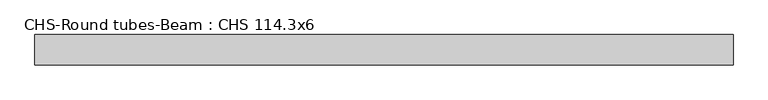
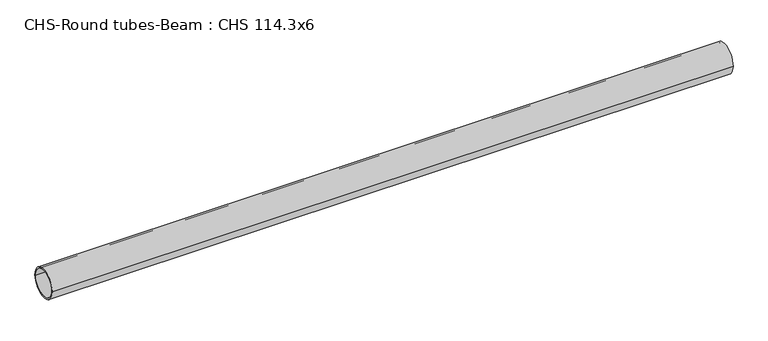
"""IFC4 building model written with IfcOpenShell, lengths in millimetres: beam geometry, CHS-Round tubes-Beam : CHS 114.3x6."""

from ifc_helpers import new_model, si_unit, point, frame, origin, origin_2d, place, context, project, spatial, circle_curve, trimmed, segment, composite_curve, outline, extrude, source, transform, mapped, element, save


def chs_round_tubes_beam_chs_114_3x6_aa7e1fe8(model_context):
    return source(origin(), model_context, "Body", "SweptSolid", [
        extrude(outline(composite_curve([segment(trimmed(circle_curve(origin_2d(), 57.15), [point((57.15, 0.0))], [point((-57.15, 0.0))], False, "CARTESIAN"), True, "CONTINUOUS"), segment(trimmed(circle_curve(origin_2d(), 57.15), [point((-57.15, 0.0))], [point((57.15, 0.0))], False, "CARTESIAN"), True, "CONTINUOUS")], self_intersect=False), holes=[composite_curve([segment(trimmed(circle_curve(origin_2d(), 51.15), [point((51.15, 0.0))], [point((-51.15, 0.0))], True, "CARTESIAN"), True, "CONTINUOUS"), segment(trimmed(circle_curve(origin_2d(), 51.15), [point((-51.15, 0.0))], [point((51.15, 0.0))], True, "CARTESIAN"), True, "CONTINUOUS")], self_intersect=False)]), frame((-1308.0413202, 0.0, 0.0), z_axis=(1.0, 0.0, 0.0), x_axis=(0.0, 1.0, 0.0)), (0.0, 0.0, 1.0), 2612.4989348),
    ])


if __name__ == "__main__":
    model = new_model("IFC4")
    model_context = context("Model", 3, world=origin())
    ifc_project = project(units=[si_unit("LENGTHUNIT", "METRE", prefix="MILLI")], contexts=[model_context])
    site = spatial("IfcSite", under=ifc_project)
    building = spatial("IfcBuilding", under=site)
    placement = place(None, origin())
    chs_round_tubes_beam_chs_114_3x6_shape = chs_round_tubes_beam_chs_114_3x6_aa7e1fe8(model_context)
    element("IfcBeam", 1, ObjectType="CHS-Round tubes-Beam : CHS 114.3x6", at=placement, inside=building, context=model_context, shape_type="MappedRepresentation", body=[
        mapped(chs_round_tubes_beam_chs_114_3x6_shape, transform((0.0, 0.0, 0.0), x_axis=(1.0, 0.0, 0.0), y_axis=(0.0, 1.0, 0.0), z_axis=(0.0, 0.0, 1.0))),
    ])
    save(model, "model.ifc")
